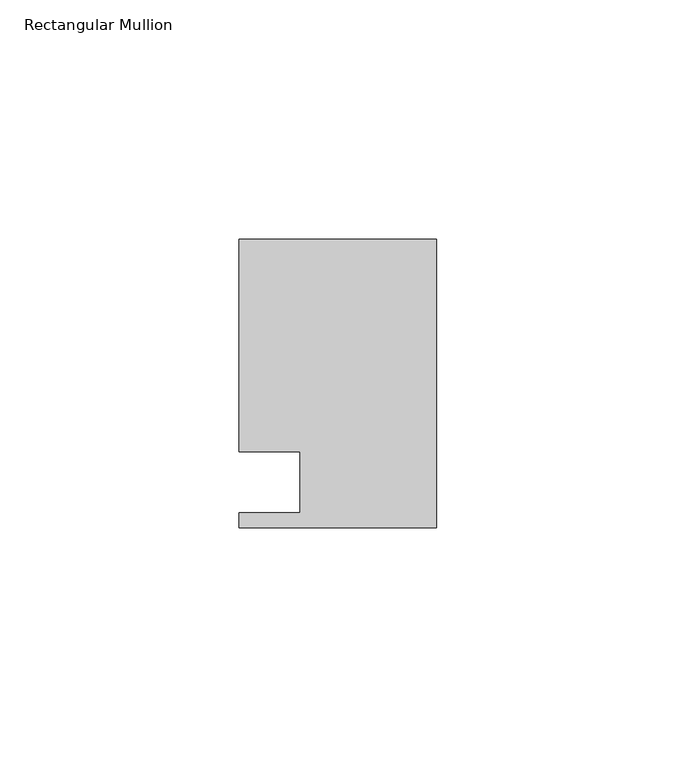
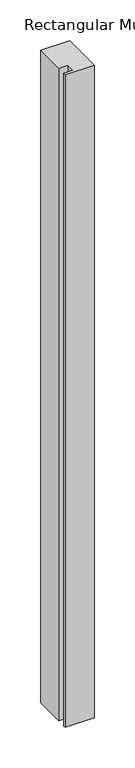
"""IFC4 building model written with IfcOpenShell, lengths in millimetres: member geometry, Rectangular Mullion."""

import ifcopenshell
import ifcopenshell.guid

model = None  # the IFC model being written
_history = None  # IfcOwnerHistory: only IFC2X3 demands one
_inside = {}  # id of a spatial element -> (the spatial element, [elements in it])
_under = {}  # id of a project, library or spatial element -> (it, [spatial elements below it])
_declared = {}  # id of a project -> (the project, [libraries it declares])
_typed = {}  # id of a type object -> (the type object, [elements of that type])
_made_of = {}  # id of a material, layer set ... -> (it, [elements and type objects made of it])


def new_model(schema):
    """Start an empty IFC model of exactly this schema.

    Asked for "IFC4X3", IfcOpenShell would pick the latest addendum, in which some entities
    have other attributes; the version numbers below select the first issue.
    IFC2X3 requires an IfcOwnerHistory on every rooted entity: one is made here for all.
    """
    global model, _history
    if schema == "IFC4X3":
        model = ifcopenshell.file(schema_version=(4, 3, 0, 0))
    else:
        model = ifcopenshell.file(schema=schema)
    _inside.clear()
    _under.clear()
    _declared.clear()
    _typed.clear()
    _made_of.clear()
    _history = None
    if model.schema == "IFC2X3":
        org = make("IfcOrganization", Name="unknown")
        user = make(
            "IfcPersonAndOrganization",
            ThePerson=make("IfcPerson", FamilyName="unknown"),
            TheOrganization=org,
        )
        app = make(
            "IfcApplication",
            ApplicationDeveloper=org,
            Version="unknown",
            ApplicationFullName="unknown",
            ApplicationIdentifier="unknown",
        )
        _history = make(
            "IfcOwnerHistory",
            OwningUser=user,
            OwningApplication=app,
            ChangeAction="ADDED",
            CreationDate=0,
        )
    return model


def make(cls, **values):
    """One entity of the class cls with the attributes given. An attribute that is None is left unset."""
    return model.create_entity(
        cls, **{name: value for name, value in values.items() if value is not None}
    )


def rooted(cls, **values):
    """An entity with a GlobalId (a new one), such as an element, a storey or a relation."""
    return make(cls, GlobalId=ifcopenshell.guid.new(), OwnerHistory=_history, **values)


def si_unit(unit_type, name, prefix=None):
    """IfcSIUnit, for example si_unit("LENGTHUNIT", "METRE", prefix="MILLI")."""
    return make("IfcSIUnit", UnitType=unit_type, Prefix=prefix, Name=name)


def assignment(units):
    """IfcUnitAssignment: the units of a project."""
    return None if units is None else make("IfcUnitAssignment", Units=units)


def point(xyz):
    """IfcCartesianPoint."""
    return None if xyz is None else make("IfcCartesianPoint", Coordinates=xyz)


def direction(xyz):
    """IfcDirection."""
    return None if xyz is None else make("IfcDirection", DirectionRatios=xyz)


def frame(location, z_axis=None, x_axis=None):
    """IfcAxis2Placement3D, a coordinate frame: its origin and axes. An axis left out is left unset."""
    return make(
        "IfcAxis2Placement3D",
        Location=point(location),
        Axis=direction(z_axis),
        RefDirection=direction(x_axis),
    )


def origin():
    """The frame at (0, 0, 0) with its axes left unset."""
    return frame((0.0, 0.0, 0.0))


def place(relative_to, where):
    """IfcLocalPlacement: puts the frame where relative to a parent placement (None: the world)."""
    return make(
        "IfcLocalPlacement", PlacementRelTo=relative_to, RelativePlacement=where
    )


def context(
    kind, dimensions, precision=None, world=None, true_north=None, identifier=None
):
    """IfcGeometricRepresentationContext, for example the 3D "Model" context."""
    return make(
        "IfcGeometricRepresentationContext",
        ContextIdentifier=identifier,
        ContextType=kind,
        CoordinateSpaceDimension=dimensions,
        Precision=precision,
        WorldCoordinateSystem=world,
        TrueNorth=true_north,
    )


def project(units=None, contexts=None):
    """IfcProject with its units and contexts."""
    return rooted(
        "IfcProject",
        Name="project",
        RepresentationContexts=contexts,
        UnitsInContext=assignment(units),
    )


def spatial(cls, under=None, at=None, **own):
    """A site, building, storey or space (cls), placed at a placement, below another one or the project."""
    s = rooted(cls, ObjectPlacement=at, **own)
    if under is not None:
        _under.setdefault(under.id(), (under, []))[1].append(s)
    return s


def polyline(points):
    """IfcPolyline through the points."""
    return make("IfcPolyline", Points=[point(p) for p in points])


def outline(outer, holes=None, kind="AREA"):
    """IfcArbitraryClosedProfileDef: a profile drawn as a closed curve; with holes, ...WithVoids."""
    if holes is None:
        return make("IfcArbitraryClosedProfileDef", ProfileType=kind, OuterCurve=outer)
    return make(
        "IfcArbitraryProfileDefWithVoids",
        ProfileType=kind,
        OuterCurve=outer,
        InnerCurves=holes,
    )


def extrude(swept, where, along, depth):
    """IfcExtrudedAreaSolid: the profile swept, set in the frame where, extruded along a direction by depth."""
    return make(
        "IfcExtrudedAreaSolid",
        SweptArea=swept,
        Position=where,
        ExtrudedDirection=direction(along),
        Depth=depth,
    )


def shape(context_of_items, identifier, shape_type, items):
    """IfcShapeRepresentation: the items that make up one representation, for example the "Body"."""
    return make(
        "IfcShapeRepresentation",
        ContextOfItems=context_of_items,
        RepresentationIdentifier=identifier,
        RepresentationType=shape_type,
        Items=items,
    )


def source(mapping_origin, context_of_items, identifier, shape_type, items):
    """IfcRepresentationMap: a shape defined once, which mapped items show again and again."""
    return make(
        "IfcRepresentationMap",
        MappingOrigin=mapping_origin,
        MappedRepresentation=shape(context_of_items, identifier, shape_type, items),
    )


def transform(
    local_origin,
    x_axis=None,
    y_axis=None,
    z_axis=None,
    scale=None,
    scale2=None,
    scale3=None,
    uniform=True,
):
    """IfcCartesianTransformationOperator3D, or its non-uniform kind. x_axis, y_axis, z_axis: its Axis1, 2, 3."""
    if uniform:
        return make(
            "IfcCartesianTransformationOperator3D",
            Axis1=direction(x_axis),
            Axis2=direction(y_axis),
            LocalOrigin=point(local_origin),
            Scale=scale,
            Axis3=direction(z_axis),
        )
    return make(
        "IfcCartesianTransformationOperator3DnonUniform",
        Axis1=direction(x_axis),
        Axis2=direction(y_axis),
        LocalOrigin=point(local_origin),
        Scale=scale,
        Axis3=direction(z_axis),
        Scale2=scale2,
        Scale3=scale3,
    )


def mapped(mapping_source, mapping_target):
    """IfcMappedItem: shows the shape of a source again, moved by a transform."""
    return make(
        "IfcMappedItem", MappingSource=mapping_source, MappingTarget=mapping_target
    )


def made_of(thing, what):
    """Note that an element or type object is made of a material, layer set ...; save() writes the relation."""
    if what is not None:
        _made_of.setdefault(what.id(), (what, []))[1].append(thing)
    return thing


def element(
    cls,
    number,
    at=None,
    inside=None,
    cuts=None,
    type_object=None,
    material=None,
    context=None,
    identifier="Body",
    shape_type=None,
    held_by="IfcProductDefinitionShape",
    body=None,
    shapes=None,
    **own,
):
    """One element of the class cls, such as IfcWall. Its Tag is "e" and its number.

    at: its placement. inside: the storey or other place that contains it. cuts: it is an
    opening in that element (IfcRelVoidsElement). A single representation is given by context,
    identifier, shape_type and body (its items); several are given by shapes. held_by: the class
    of the entity that holds the representations. save() writes the other relations.
    """
    e = rooted(cls, Tag="e%d" % number, ObjectPlacement=at, **own)
    if body is not None:
        shapes = [shape(context, identifier, shape_type, body)]
    if shapes is not None:
        e.Representation = make(held_by, Representations=shapes)
    if inside is not None:
        _inside.setdefault(inside.id(), (inside, []))[1].append(e)
    if cuts is not None:
        rooted(
            "IfcRelVoidsElement", RelatingBuildingElement=cuts, RelatedOpeningElement=e
        )
    if type_object is not None:
        _typed.setdefault(type_object.id(), (type_object, []))[1].append(e)
    return made_of(e, material)


def aggregate(whole, parts):
    """IfcRelAggregates: a whole, such as a stair, and the parts it consists of."""
    return rooted("IfcRelAggregates", RelatingObject=whole, RelatedObjects=parts)


def save(model, path):
    """Write the relations noted so far, then the file.

    IfcRelAggregates (storeys below a building ...), IfcRelContainedInSpatialStructure (elements
    in a storey), IfcRelDefinesByType, IfcRelAssociatesMaterial and IfcRelDeclares: one each for
    every whole, place, type object, material and project.
    """
    for whole, parts in _under.values():
        aggregate(whole, parts)
    for where, things in _inside.values():
        rooted(
            "IfcRelContainedInSpatialStructure",
            RelatedElements=things,
            RelatingStructure=where,
        )
    for kind, things in _typed.values():
        rooted("IfcRelDefinesByType", RelatedObjects=things, RelatingType=kind)
    for what, things in _made_of.values():
        rooted("IfcRelAssociatesMaterial", RelatedObjects=things, RelatingMaterial=what)
    for by, libraries in _declared.values():
        rooted("IfcRelDeclares", RelatingContext=by, RelatedDefinitions=libraries)
    model.write(path)


def rectangular_mullion_0b90b44c(model_context):
    return source(origin(), model_context, "Body", "SweptSolid", [
        extrude(outline(polyline([(0.0, 30.1625), (0.0, -30.1625), (-41.275, -30.1625), (-41.275, -26.9875), (-28.575, -26.9875), (-28.575, -14.2875), (-41.275, -14.2875), (-41.275, 30.1625), (0.0, 30.1625)])), frame((0.0, 0.0, -979.4875), z_axis=(0.0, 0.0, 1.0), x_axis=(1.0, 0.0, 0.0)), (0.0, 0.0, 1.0), 979.4875),
    ])


if __name__ == "__main__":
    model = new_model("IFC4")
    model_context = context("Model", 3, world=origin())
    ifc_project = project(units=[si_unit("LENGTHUNIT", "METRE", prefix="MILLI")], contexts=[model_context])
    site = spatial("IfcSite", under=ifc_project)
    building = spatial("IfcBuilding", under=site)
    placement = place(None, origin())
    rectangular_mullion_shape = rectangular_mullion_0b90b44c(model_context)
    element("IfcMember", 1, ObjectType="Rectangular Mullion", at=placement, inside=building, context=model_context, shape_type="MappedRepresentation", body=[
        mapped(rectangular_mullion_shape, transform((0.0, 0.0, 0.0), x_axis=(1.0, 0.0, 0.0), y_axis=(0.0, 1.0, 0.0), z_axis=(0.0, 0.0, 1.0))),
    ])
    save(model, "model.ifc")
